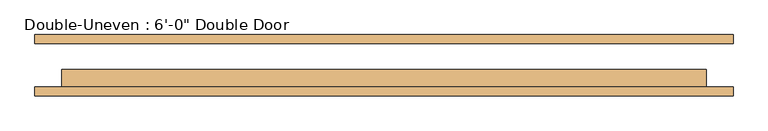
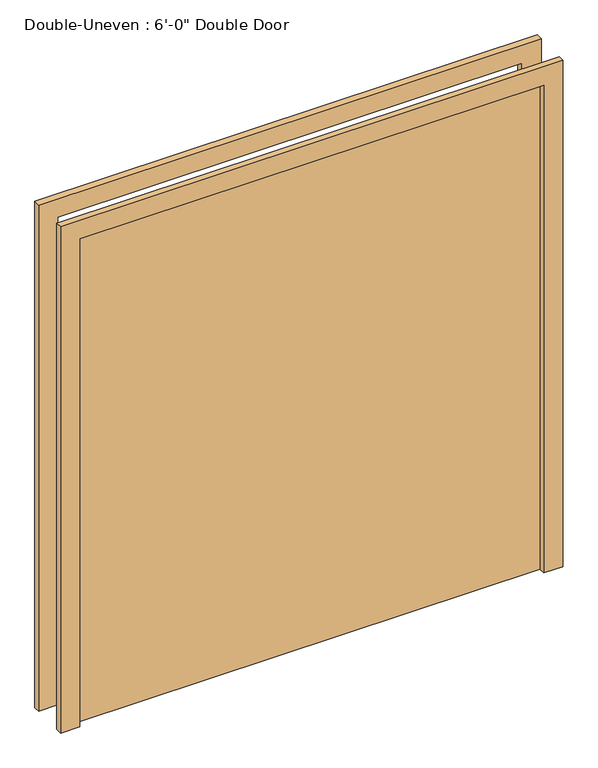
"""IFC4 building model written with IfcOpenShell, lengths in millimetres: door geometry."""

from ifc_helpers import new_model, si_unit, frame, origin, origin_with_axes, place, context, project, spatial, polyline, outline, extrude, source, transform, mapped, element, save


def door_a07b5aaa(model_context):
    return source(origin(), model_context, "Body", "SweptSolid", [
        extrude(outline(polyline([(101.6, -61.9125), (-1727.2, -61.9125), (-1727.2, -11.1125), (101.6, -11.1125), (101.6, -61.9125)])), origin_with_axes(), (0.0, 0.0, 1.0), 2032.0),
        extrude(outline(polyline([(2032.0, -1727.2), (2032.0, 101.6), (0.0, 101.6), (0.0, 177.8), (2108.2, 177.8), (2108.2, -1803.4), (0.0, -1803.4), (0.0, -1727.2), (2032.0, -1727.2)])), frame((0.0, 61.9125, 0.0), z_axis=(0.0, 1.0, 0.0), x_axis=(0.0, 0.0, 1.0)), (0.0, 0.0, 1.0), 25.4),
        extrude(outline(polyline([(2032.0, -1727.2), (2032.0, 101.6), (0.0, 101.6), (0.0, 177.8), (2108.2, 177.8), (2108.2, -1803.4), (0.0, -1803.4), (0.0, -1727.2), (2032.0, -1727.2)])), frame((0.0, -87.3125, 0.0), z_axis=(0.0, 1.0, 0.0), x_axis=(0.0, 0.0, 1.0)), (0.0, 0.0, 1.0), 25.4),
    ])


if __name__ == "__main__":
    model = new_model("IFC4")
    model_context = context("Model", 3, world=origin())
    ifc_project = project(units=[si_unit("LENGTHUNIT", "METRE", prefix="MILLI")], contexts=[model_context])
    site = spatial("IfcSite", under=ifc_project)
    building = spatial("IfcBuilding", under=site)
    placement = place(None, origin())
    door_shape = door_a07b5aaa(model_context)
    element("IfcDoor", 1, ObjectType="Double-Uneven : 6'-0\" Double Door", at=placement, inside=building, context=model_context, shape_type="MappedRepresentation", body=[
        mapped(door_shape, transform((0.0, 0.0, 0.0), x_axis=(1.0, 0.0, 0.0), y_axis=(0.0, 1.0, 0.0), z_axis=(0.0, 0.0, 1.0))),
    ])
    save(model, "model.ifc")
